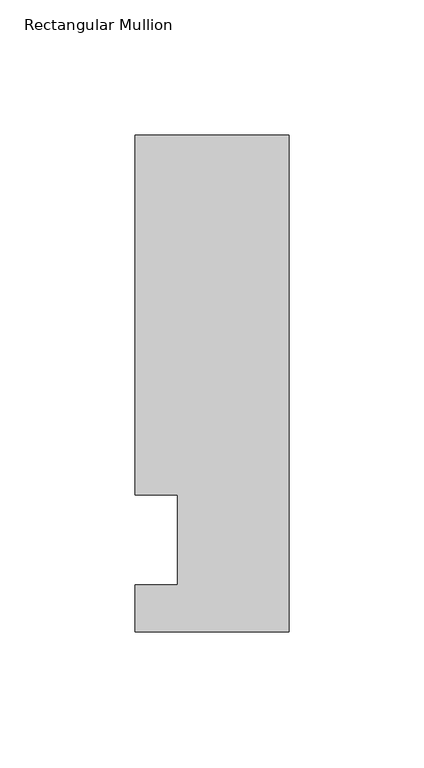
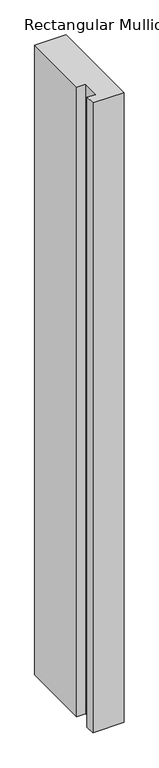
"""IFC4 building model written with IfcOpenShell, lengths in millimetres: member geometry, Rectangular Mullion."""

import ifcopenshell
import ifcopenshell.guid

model = None  # the IFC model being written
_history = None  # IfcOwnerHistory: only IFC2X3 demands one
_inside = {}  # id of a spatial element -> (the spatial element, [elements in it])
_under = {}  # id of a project, library or spatial element -> (it, [spatial elements below it])
_declared = {}  # id of a project -> (the project, [libraries it declares])
_typed = {}  # id of a type object -> (the type object, [elements of that type])
_made_of = {}  # id of a material, layer set ... -> (it, [elements and type objects made of it])


def new_model(schema):
    """Start an empty IFC model of exactly this schema.

    Asked for "IFC4X3", IfcOpenShell would pick the latest addendum, in which some entities
    have other attributes; the version numbers below select the first issue.
    IFC2X3 requires an IfcOwnerHistory on every rooted entity: one is made here for all.
    """
    global model, _history
    if schema == "IFC4X3":
        model = ifcopenshell.file(schema_version=(4, 3, 0, 0))
    else:
        model = ifcopenshell.file(schema=schema)
    _inside.clear()
    _under.clear()
    _declared.clear()
    _typed.clear()
    _made_of.clear()
    _history = None
    if model.schema == "IFC2X3":
        org = make("IfcOrganization", Name="unknown")
        user = make(
            "IfcPersonAndOrganization",
            ThePerson=make("IfcPerson", FamilyName="unknown"),
            TheOrganization=org,
        )
        app = make(
            "IfcApplication",
            ApplicationDeveloper=org,
            Version="unknown",
            ApplicationFullName="unknown",
            ApplicationIdentifier="unknown",
        )
        _history = make(
            "IfcOwnerHistory",
            OwningUser=user,
            OwningApplication=app,
            ChangeAction="ADDED",
            CreationDate=0,
        )
    return model


def make(cls, **values):
    """One entity of the class cls with the attributes given. An attribute that is None is left unset."""
    return model.create_entity(
        cls, **{name: value for name, value in values.items() if value is not None}
    )


def rooted(cls, **values):
    """An entity with a GlobalId (a new one), such as an element, a storey or a relation."""
    return make(cls, GlobalId=ifcopenshell.guid.new(), OwnerHistory=_history, **values)


def si_unit(unit_type, name, prefix=None):
    """IfcSIUnit, for example si_unit("LENGTHUNIT", "METRE", prefix="MILLI")."""
    return make("IfcSIUnit", UnitType=unit_type, Prefix=prefix, Name=name)


def assignment(units):
    """IfcUnitAssignment: the units of a project."""
    return None if units is None else make("IfcUnitAssignment", Units=units)


def point(xyz):
    """IfcCartesianPoint."""
    return None if xyz is None else make("IfcCartesianPoint", Coordinates=xyz)


def direction(xyz):
    """IfcDirection."""
    return None if xyz is None else make("IfcDirection", DirectionRatios=xyz)


def frame(location, z_axis=None, x_axis=None):
    """IfcAxis2Placement3D, a coordinate frame: its origin and axes. An axis left out is left unset."""
    return make(
        "IfcAxis2Placement3D",
        Location=point(location),
        Axis=direction(z_axis),
        RefDirection=direction(x_axis),
    )


def origin():
    """The frame at (0, 0, 0) with its axes left unset."""
    return frame((0.0, 0.0, 0.0))


def place(relative_to, where):
    """IfcLocalPlacement: puts the frame where relative to a parent placement (None: the world)."""
    return make(
        "IfcLocalPlacement", PlacementRelTo=relative_to, RelativePlacement=where
    )


def context(
    kind, dimensions, precision=None, world=None, true_north=None, identifier=None
):
    """IfcGeometricRepresentationContext, for example the 3D "Model" context."""
    return make(
        "IfcGeometricRepresentationContext",
        ContextIdentifier=identifier,
        ContextType=kind,
        CoordinateSpaceDimension=dimensions,
        Precision=precision,
        WorldCoordinateSystem=world,
        TrueNorth=true_north,
    )


def project(units=None, contexts=None):
    """IfcProject with its units and contexts."""
    return rooted(
        "IfcProject",
        Name="project",
        RepresentationContexts=contexts,
        UnitsInContext=assignment(units),
    )


def spatial(cls, under=None, at=None, **own):
    """A site, building, storey or space (cls), placed at a placement, below another one or the project."""
    s = rooted(cls, ObjectPlacement=at, **own)
    if under is not None:
        _under.setdefault(under.id(), (under, []))[1].append(s)
    return s


def polyline(points):
    """IfcPolyline through the points."""
    return make("IfcPolyline", Points=[point(p) for p in points])


def outline(outer, holes=None, kind="AREA"):
    """IfcArbitraryClosedProfileDef: a profile drawn as a closed curve; with holes, ...WithVoids."""
    if holes is None:
        return make("IfcArbitraryClosedProfileDef", ProfileType=kind, OuterCurve=outer)
    return make(
        "IfcArbitraryProfileDefWithVoids",
        ProfileType=kind,
        OuterCurve=outer,
        InnerCurves=holes,
    )


def extrude(swept, where, along, depth):
    """IfcExtrudedAreaSolid: the profile swept, set in the frame where, extruded along a direction by depth."""
    return make(
        "IfcExtrudedAreaSolid",
        SweptArea=swept,
        Position=where,
        ExtrudedDirection=direction(along),
        Depth=depth,
    )


def shape(context_of_items, identifier, shape_type, items):
    """IfcShapeRepresentation: the items that make up one representation, for example the "Body"."""
    return make(
        "IfcShapeRepresentation",
        ContextOfItems=context_of_items,
        RepresentationIdentifier=identifier,
        RepresentationType=shape_type,
        Items=items,
    )


def source(mapping_origin, context_of_items, identifier, shape_type, items):
    """IfcRepresentationMap: a shape defined once, which mapped items show again and again."""
    return make(
        "IfcRepresentationMap",
        MappingOrigin=mapping_origin,
        MappedRepresentation=shape(context_of_items, identifier, shape_type, items),
    )


def transform(
    local_origin,
    x_axis=None,
    y_axis=None,
    z_axis=None,
    scale=None,
    scale2=None,
    scale3=None,
    uniform=True,
):
    """IfcCartesianTransformationOperator3D, or its non-uniform kind. x_axis, y_axis, z_axis: its Axis1, 2, 3."""
    if uniform:
        return make(
            "IfcCartesianTransformationOperator3D",
            Axis1=direction(x_axis),
            Axis2=direction(y_axis),
            LocalOrigin=point(local_origin),
            Scale=scale,
            Axis3=direction(z_axis),
        )
    return make(
        "IfcCartesianTransformationOperator3DnonUniform",
        Axis1=direction(x_axis),
        Axis2=direction(y_axis),
        LocalOrigin=point(local_origin),
        Scale=scale,
        Axis3=direction(z_axis),
        Scale2=scale2,
        Scale3=scale3,
    )


def mapped(mapping_source, mapping_target):
    """IfcMappedItem: shows the shape of a source again, moved by a transform."""
    return make(
        "IfcMappedItem", MappingSource=mapping_source, MappingTarget=mapping_target
    )


def made_of(thing, what):
    """Note that an element or type object is made of a material, layer set ...; save() writes the relation."""
    if what is not None:
        _made_of.setdefault(what.id(), (what, []))[1].append(thing)
    return thing


def element(
    cls,
    number,
    at=None,
    inside=None,
    cuts=None,
    type_object=None,
    material=None,
    context=None,
    identifier="Body",
    shape_type=None,
    held_by="IfcProductDefinitionShape",
    body=None,
    shapes=None,
    **own,
):
    """One element of the class cls, such as IfcWall. Its Tag is "e" and its number.

    at: its placement. inside: the storey or other place that contains it. cuts: it is an
    opening in that element (IfcRelVoidsElement). A single representation is given by context,
    identifier, shape_type and body (its items); several are given by shapes. held_by: the class
    of the entity that holds the representations. save() writes the other relations.
    """
    e = rooted(cls, Tag="e%d" % number, ObjectPlacement=at, **own)
    if body is not None:
        shapes = [shape(context, identifier, shape_type, body)]
    if shapes is not None:
        e.Representation = make(held_by, Representations=shapes)
    if inside is not None:
        _inside.setdefault(inside.id(), (inside, []))[1].append(e)
    if cuts is not None:
        rooted(
            "IfcRelVoidsElement", RelatingBuildingElement=cuts, RelatedOpeningElement=e
        )
    if type_object is not None:
        _typed.setdefault(type_object.id(), (type_object, []))[1].append(e)
    return made_of(e, material)


def aggregate(whole, parts):
    """IfcRelAggregates: a whole, such as a stair, and the parts it consists of."""
    return rooted("IfcRelAggregates", RelatingObject=whole, RelatedObjects=parts)


def save(model, path):
    """Write the relations noted so far, then the file.

    IfcRelAggregates (storeys below a building ...), IfcRelContainedInSpatialStructure (elements
    in a storey), IfcRelDefinesByType, IfcRelAssociatesMaterial and IfcRelDeclares: one each for
    every whole, place, type object, material and project.
    """
    for whole, parts in _under.values():
        aggregate(whole, parts)
    for where, things in _inside.values():
        rooted(
            "IfcRelContainedInSpatialStructure",
            RelatedElements=things,
            RelatingStructure=where,
        )
    for kind, things in _typed.values():
        rooted("IfcRelDefinesByType", RelatedObjects=things, RelatingType=kind)
    for what, things in _made_of.values():
        rooted("IfcRelAssociatesMaterial", RelatedObjects=things, RelatingMaterial=what)
    for by, libraries in _declared.values():
        rooted("IfcRelDeclares", RelatingContext=by, RelatedDefinitions=libraries)
    model.write(path)


def rectangular_mullion_7440df6a(model_context):
    return source(origin(), model_context, "Body", "SweptSolid", [
        extrude(outline(polyline([(32.9094027, 150.01875), (32.9094027, -34.13125), (-24.2405973, -34.13125), (-24.2405973, -16.66875), (-8.3655973, -16.66875), (-8.3655973, 16.66875), (-24.2405973, 16.66875), (-24.2405973, 150.01875), (32.9094027, 150.01875)])), frame((0.0, 0.0, -1219.2), z_axis=(0.0, 0.0, 1.0), x_axis=(1.0, 0.0, 0.0)), (0.0, 0.0, 1.0), 1219.2),
    ])


if __name__ == "__main__":
    model = new_model("IFC4")
    model_context = context("Model", 3, world=origin())
    ifc_project = project(units=[si_unit("LENGTHUNIT", "METRE", prefix="MILLI")], contexts=[model_context])
    site = spatial("IfcSite", under=ifc_project)
    building = spatial("IfcBuilding", under=site)
    placement = place(None, origin())
    rectangular_mullion_shape = rectangular_mullion_7440df6a(model_context)
    element("IfcMember", 1, ObjectType="Rectangular Mullion", at=placement, inside=building, context=model_context, shape_type="MappedRepresentation", body=[
        mapped(rectangular_mullion_shape, transform((0.0, 0.0, 0.0), x_axis=(1.0, 0.0, 0.0), y_axis=(0.0, 1.0, 0.0), z_axis=(0.0, 0.0, 1.0))),
    ])
    save(model, "model.ifc")
